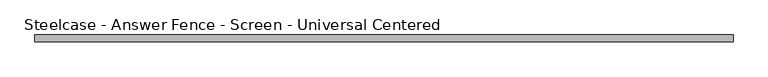
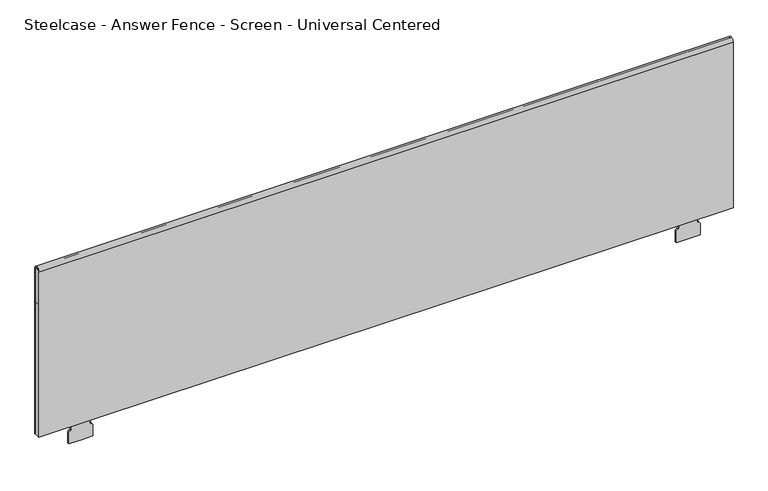
"""IFC4 building model written with IfcOpenShell, lengths in millimetres: furniture geometry, Steelcase - Answer Fence - Screen - Universal Centered."""

from ifc_helpers import new_model, si_unit, point, frame, frame_2d, origin, place, context, project, spatial, polyline, circle_curve, trimmed, segment, composite_curve, outline, extrude, source, transform, mapped, element, save


def steelcase_answer_fence_screen_universal_centered_eee68a1a(model_context):
    return source(origin(), model_context, "Body", "SweptSolid", [
        extrude(outline(polyline([(-43.5191559, 1117.3703127), (-32.3809508, 1117.3703127), (-32.3760696, 749.3), (-43.5142748, 749.3), (-43.5191559, 1117.3703127)])), frame((-38.1, 0.0, 0.0), z_axis=(1.0, 0.0, 0.0), x_axis=(0.0, 1.0, 0.0)), (0.0, 0.0, 1.0), 1828.8),
        extrude(outline(composite_curve([segment(polyline([(-43.5191559, 1117.3703127), (-43.520385, 1210.0559261)]), True, "CONTINUOUS"), segment(trimmed(circle_curve(frame_2d((-37.9512825, 1210.056)), 5.5691026), [point((-43.520385, 1210.0559261))], [point((-32.3821799, 1210.0560739))], False, "CARTESIAN"), True, "CONTINUOUS"), segment(polyline([(-32.3821799, 1210.0560739), (-32.3809508, 1117.3703127), (-43.5191559, 1117.3703127)]), True, "CONTINUOUS")], self_intersect=False)), frame((-38.1, 0.0, 0.0), z_axis=(1.0, 0.0, 0.0), x_axis=(0.0, 1.0, 0.0)), (0.0, 0.0, 1.0), 1828.8),
        extrude(outline(composite_curve([segment(polyline([(-32.3761099, 749.3), (-32.3761099, 1210.1489219)]), True, "CONTINUOUS"), segment(trimmed(circle_curve(frame_2d((-37.9452125, 1210.1489219)), 5.5691026), [point((-32.3761099, 1210.1489219))], [point((-43.514315, 1210.1489219))], True, "CARTESIAN"), True, "CONTINUOUS"), segment(polyline([(-43.514315, 1210.1489219), (-43.514315, 749.3), (-47.0629338, 749.3), (-47.0690453, 1210.148801)]), True, "CONTINUOUS"), segment(trimmed(circle_curve(frame_2d((-37.9469145, 1210.1489219)), 9.1221307), [point((-47.0690453, 1210.148801))], [point((-28.8247838, 1210.1489219))], False, "CARTESIAN"), True, "CONTINUOUS"), segment(polyline([(-28.8247838, 1210.1489219), (-28.8247838, 749.3), (-32.3761099, 749.3)]), True, "CONTINUOUS")], self_intersect=False)), frame((-38.1, 0.0, 0.0), z_axis=(1.0, 0.0, 0.0), x_axis=(0.0, 1.0, 0.0)), (0.0, 0.0, 1.0), 1828.8),
        extrude(outline(composite_curve([segment(polyline([(728.0462585, 1644.7965511), (698.5, 1644.7965511), (698.5, 1708.0135742), (728.0462585, 1708.0135742)]), True, "CONTINUOUS"), segment(trimmed(circle_curve(frame_2d((728.0462585, 1700.6441303)), 7.369444), [point((728.0462585, 1708.0135742))], [point((734.4283842, 1704.3288522))], False, "CARTESIAN"), True, "CONTINUOUS"), segment(trimmed(circle_curve(frame_2d((739.6567902, 1708.1244266)), 6.4608524), [point((734.4283842, 1704.3288522))], [point((739.6567902, 1701.6635742))], True, "CARTESIAN"), True, "CONTINUOUS"), segment(polyline([(739.6567902, 1701.6635742), (803.2164764, 1701.6635742), (803.2164764, 1694.2635899), (1025.2664305, 1694.2635899)]), True, "CONTINUOUS"), segment(trimmed(circle_curve(frame_2d((1025.2664305, 1690.4535899)), 3.81), [point((1025.2664305, 1694.2635899))], [point((1029.0764305, 1690.4535899))], False, "CARTESIAN"), True, "CONTINUOUS"), segment(polyline([(1029.0764305, 1690.4535899), (1029.0764305, 1661.7525578)]), True, "CONTINUOUS"), segment(trimmed(circle_curve(frame_2d((1025.3146077, 1662.3565355)), 3.81), [point((1029.0764305, 1661.7525578))], [point((1025.3146077, 1658.5465355))], False, "CARTESIAN"), True, "CONTINUOUS"), segment(polyline([(1025.3146077, 1658.5465355), (803.2164764, 1658.5465355), (803.2164764, 1651.1465511), (739.6567902, 1651.1465511)]), True, "CONTINUOUS"), segment(trimmed(circle_curve(frame_2d((739.6567902, 1644.6856988)), 6.4608524), [point((739.6567902, 1651.1465511))], [point((734.4283842, 1648.4812731))], True, "CARTESIAN"), True, "CONTINUOUS"), segment(trimmed(circle_curve(frame_2d((728.0462585, 1652.1659951)), 7.369444), [point((734.4283842, 1648.4812731))], [point((728.0462585, 1644.7965511))], False, "CARTESIAN"), True, "CONTINUOUS")], self_intersect=False)), frame((0.0, -40.3148643, 0.0), z_axis=(0.0, 1.0, 0.0), x_axis=(0.0, 0.0, 1.0)), (0.0, 0.0, 1.0), 4.7469552),
        extrude(outline(composite_curve([segment(polyline([(698.4915218, 78.8196745), (698.4915218, 107.8034489), (728.0462585, 107.8034489)]), True, "CONTINUOUS"), segment(trimmed(circle_curve(frame_2d((728.0462585, 100.4340049)), 7.369444), [point((728.0462585, 107.8034489))], [point((734.4283842, 104.1187269))], False, "CARTESIAN"), True, "CONTINUOUS"), segment(trimmed(circle_curve(frame_2d((739.6567902, 107.9143012)), 6.4608524), [point((734.4283842, 104.1187269))], [point((739.6567902, 101.4534489))], True, "CARTESIAN"), True, "CONTINUOUS"), segment(polyline([(739.6567902, 101.4534489), (803.2164764, 101.4534489), (803.2164764, 94.0534645), (1025.3146077, 94.0534645)]), True, "CONTINUOUS"), segment(trimmed(circle_curve(frame_2d((1025.3146077, 90.2434645)), 3.81), [point((1025.3146077, 94.0534645))], [point((1029.0764305, 90.8474422))], False, "CARTESIAN"), True, "CONTINUOUS"), segment(polyline([(1029.0764305, 90.8474422), (1029.0764305, 62.1464101)]), True, "CONTINUOUS"), segment(trimmed(circle_curve(frame_2d((1025.2664305, 62.1464101)), 3.81), [point((1029.0764305, 62.1464101))], [point((1025.2664305, 58.3364101))], False, "CARTESIAN"), True, "CONTINUOUS"), segment(polyline([(1025.2664305, 58.3364101), (803.2164764, 58.3364101), (803.2164764, 50.9364258), (739.6567902, 50.9364258)]), True, "CONTINUOUS"), segment(trimmed(circle_curve(frame_2d((739.6567902, 44.4755734)), 6.4608524), [point((739.6567902, 50.9364258))], [point((734.4283842, 48.2711478))], True, "CARTESIAN"), True, "CONTINUOUS"), segment(trimmed(circle_curve(frame_2d((728.0462585, 51.9558697)), 7.369444), [point((734.4283842, 48.2711478))], [point((728.0462585, 44.5864258))], False, "CARTESIAN"), True, "CONTINUOUS"), segment(polyline([(728.0462585, 44.5864258), (698.4915218, 44.5864258), (698.4915218, 78.8196745)]), True, "CONTINUOUS")], self_intersect=False)), frame((0.0, -40.3148643, 0.0), z_axis=(0.0, 1.0, 0.0), x_axis=(0.0, 0.0, 1.0)), (0.0, 0.0, 1.0), 4.7469552),
    ])


if __name__ == "__main__":
    model = new_model("IFC4")
    model_context = context("Model", 3, world=origin())
    ifc_project = project(units=[si_unit("LENGTHUNIT", "METRE", prefix="MILLI")], contexts=[model_context])
    site = spatial("IfcSite", under=ifc_project)
    building = spatial("IfcBuilding", under=site)
    placement = place(None, origin())
    steelcase_answer_fence_screen_universal_centered_shape = steelcase_answer_fence_screen_universal_centered_eee68a1a(model_context)
    element("IfcFurniture", 1, ObjectType="Steelcase - Answer Fence - Screen - Universal Centered", at=placement, inside=building, context=model_context, shape_type="MappedRepresentation", body=[
        mapped(steelcase_answer_fence_screen_universal_centered_shape, transform((0.0, 0.0, 0.0), x_axis=(1.0, 0.0, 0.0), y_axis=(0.0, 1.0, 0.0), z_axis=(0.0, 0.0, 1.0))),
    ])
    save(model, "model.ifc")
